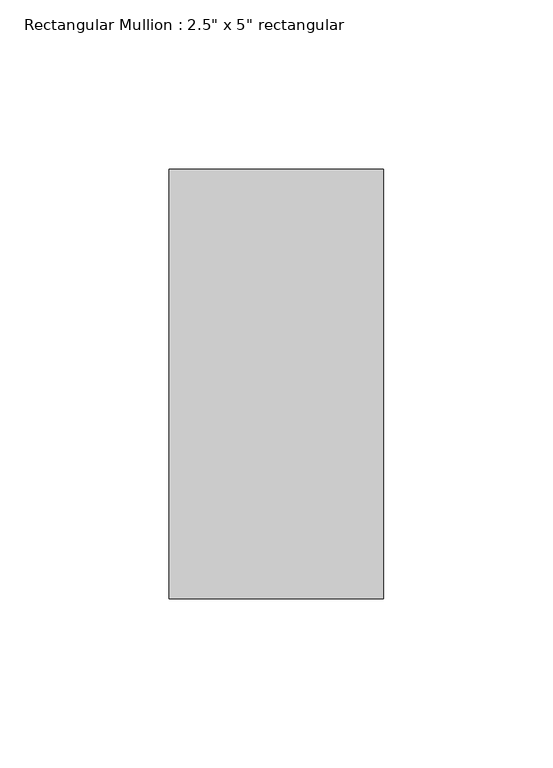
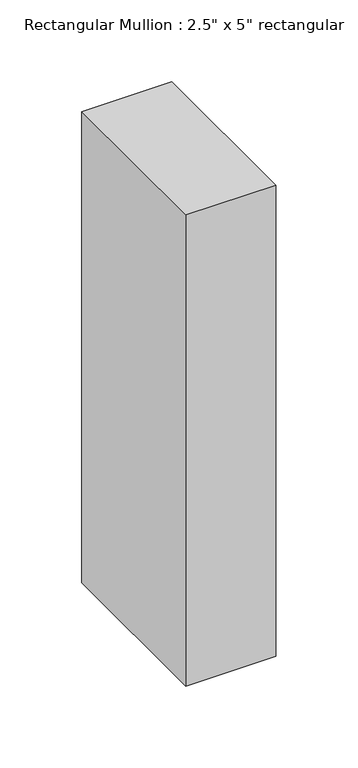
"""IFC4 building model written with IfcOpenShell, lengths in millimetres: member geometry."""

import ifcopenshell
import ifcopenshell.guid

model = None  # the IFC model being written
_history = None  # IfcOwnerHistory: only IFC2X3 demands one
_inside = {}  # id of a spatial element -> (the spatial element, [elements in it])
_under = {}  # id of a project, library or spatial element -> (it, [spatial elements below it])
_declared = {}  # id of a project -> (the project, [libraries it declares])
_typed = {}  # id of a type object -> (the type object, [elements of that type])
_made_of = {}  # id of a material, layer set ... -> (it, [elements and type objects made of it])


def new_model(schema):
    """Start an empty IFC model of exactly this schema.

    Asked for "IFC4X3", IfcOpenShell would pick the latest addendum, in which some entities
    have other attributes; the version numbers below select the first issue.
    IFC2X3 requires an IfcOwnerHistory on every rooted entity: one is made here for all.
    """
    global model, _history
    if schema == "IFC4X3":
        model = ifcopenshell.file(schema_version=(4, 3, 0, 0))
    else:
        model = ifcopenshell.file(schema=schema)
    _inside.clear()
    _under.clear()
    _declared.clear()
    _typed.clear()
    _made_of.clear()
    _history = None
    if model.schema == "IFC2X3":
        org = make("IfcOrganization", Name="unknown")
        user = make(
            "IfcPersonAndOrganization",
            ThePerson=make("IfcPerson", FamilyName="unknown"),
            TheOrganization=org,
        )
        app = make(
            "IfcApplication",
            ApplicationDeveloper=org,
            Version="unknown",
            ApplicationFullName="unknown",
            ApplicationIdentifier="unknown",
        )
        _history = make(
            "IfcOwnerHistory",
            OwningUser=user,
            OwningApplication=app,
            ChangeAction="ADDED",
            CreationDate=0,
        )
    return model


def make(cls, **values):
    """One entity of the class cls with the attributes given. An attribute that is None is left unset."""
    return model.create_entity(
        cls, **{name: value for name, value in values.items() if value is not None}
    )


def rooted(cls, **values):
    """An entity with a GlobalId (a new one), such as an element, a storey or a relation."""
    return make(cls, GlobalId=ifcopenshell.guid.new(), OwnerHistory=_history, **values)


def si_unit(unit_type, name, prefix=None):
    """IfcSIUnit, for example si_unit("LENGTHUNIT", "METRE", prefix="MILLI")."""
    return make("IfcSIUnit", UnitType=unit_type, Prefix=prefix, Name=name)


def assignment(units):
    """IfcUnitAssignment: the units of a project."""
    return None if units is None else make("IfcUnitAssignment", Units=units)


def point(xyz):
    """IfcCartesianPoint."""
    return None if xyz is None else make("IfcCartesianPoint", Coordinates=xyz)


def direction(xyz):
    """IfcDirection."""
    return None if xyz is None else make("IfcDirection", DirectionRatios=xyz)


def frame(location, z_axis=None, x_axis=None):
    """IfcAxis2Placement3D, a coordinate frame: its origin and axes. An axis left out is left unset."""
    return make(
        "IfcAxis2Placement3D",
        Location=point(location),
        Axis=direction(z_axis),
        RefDirection=direction(x_axis),
    )


def origin():
    """The frame at (0, 0, 0) with its axes left unset."""
    return frame((0.0, 0.0, 0.0))


def place(relative_to, where):
    """IfcLocalPlacement: puts the frame where relative to a parent placement (None: the world)."""
    return make(
        "IfcLocalPlacement", PlacementRelTo=relative_to, RelativePlacement=where
    )


def context(
    kind, dimensions, precision=None, world=None, true_north=None, identifier=None
):
    """IfcGeometricRepresentationContext, for example the 3D "Model" context."""
    return make(
        "IfcGeometricRepresentationContext",
        ContextIdentifier=identifier,
        ContextType=kind,
        CoordinateSpaceDimension=dimensions,
        Precision=precision,
        WorldCoordinateSystem=world,
        TrueNorth=true_north,
    )


def project(units=None, contexts=None):
    """IfcProject with its units and contexts."""
    return rooted(
        "IfcProject",
        Name="project",
        RepresentationContexts=contexts,
        UnitsInContext=assignment(units),
    )


def spatial(cls, under=None, at=None, **own):
    """A site, building, storey or space (cls), placed at a placement, below another one or the project."""
    s = rooted(cls, ObjectPlacement=at, **own)
    if under is not None:
        _under.setdefault(under.id(), (under, []))[1].append(s)
    return s


def polyline(points):
    """IfcPolyline through the points."""
    return make("IfcPolyline", Points=[point(p) for p in points])


def outline(outer, holes=None, kind="AREA"):
    """IfcArbitraryClosedProfileDef: a profile drawn as a closed curve; with holes, ...WithVoids."""
    if holes is None:
        return make("IfcArbitraryClosedProfileDef", ProfileType=kind, OuterCurve=outer)
    return make(
        "IfcArbitraryProfileDefWithVoids",
        ProfileType=kind,
        OuterCurve=outer,
        InnerCurves=holes,
    )


def extrude(swept, where, along, depth):
    """IfcExtrudedAreaSolid: the profile swept, set in the frame where, extruded along a direction by depth."""
    return make(
        "IfcExtrudedAreaSolid",
        SweptArea=swept,
        Position=where,
        ExtrudedDirection=direction(along),
        Depth=depth,
    )


def shape(context_of_items, identifier, shape_type, items):
    """IfcShapeRepresentation: the items that make up one representation, for example the "Body"."""
    return make(
        "IfcShapeRepresentation",
        ContextOfItems=context_of_items,
        RepresentationIdentifier=identifier,
        RepresentationType=shape_type,
        Items=items,
    )


def source(mapping_origin, context_of_items, identifier, shape_type, items):
    """IfcRepresentationMap: a shape defined once, which mapped items show again and again."""
    return make(
        "IfcRepresentationMap",
        MappingOrigin=mapping_origin,
        MappedRepresentation=shape(context_of_items, identifier, shape_type, items),
    )


def transform(
    local_origin,
    x_axis=None,
    y_axis=None,
    z_axis=None,
    scale=None,
    scale2=None,
    scale3=None,
    uniform=True,
):
    """IfcCartesianTransformationOperator3D, or its non-uniform kind. x_axis, y_axis, z_axis: its Axis1, 2, 3."""
    if uniform:
        return make(
            "IfcCartesianTransformationOperator3D",
            Axis1=direction(x_axis),
            Axis2=direction(y_axis),
            LocalOrigin=point(local_origin),
            Scale=scale,
            Axis3=direction(z_axis),
        )
    return make(
        "IfcCartesianTransformationOperator3DnonUniform",
        Axis1=direction(x_axis),
        Axis2=direction(y_axis),
        LocalOrigin=point(local_origin),
        Scale=scale,
        Axis3=direction(z_axis),
        Scale2=scale2,
        Scale3=scale3,
    )


def mapped(mapping_source, mapping_target):
    """IfcMappedItem: shows the shape of a source again, moved by a transform."""
    return make(
        "IfcMappedItem", MappingSource=mapping_source, MappingTarget=mapping_target
    )


def made_of(thing, what):
    """Note that an element or type object is made of a material, layer set ...; save() writes the relation."""
    if what is not None:
        _made_of.setdefault(what.id(), (what, []))[1].append(thing)
    return thing


def element(
    cls,
    number,
    at=None,
    inside=None,
    cuts=None,
    type_object=None,
    material=None,
    context=None,
    identifier="Body",
    shape_type=None,
    held_by="IfcProductDefinitionShape",
    body=None,
    shapes=None,
    **own,
):
    """One element of the class cls, such as IfcWall. Its Tag is "e" and its number.

    at: its placement. inside: the storey or other place that contains it. cuts: it is an
    opening in that element (IfcRelVoidsElement). A single representation is given by context,
    identifier, shape_type and body (its items); several are given by shapes. held_by: the class
    of the entity that holds the representations. save() writes the other relations.
    """
    e = rooted(cls, Tag="e%d" % number, ObjectPlacement=at, **own)
    if body is not None:
        shapes = [shape(context, identifier, shape_type, body)]
    if shapes is not None:
        e.Representation = make(held_by, Representations=shapes)
    if inside is not None:
        _inside.setdefault(inside.id(), (inside, []))[1].append(e)
    if cuts is not None:
        rooted(
            "IfcRelVoidsElement", RelatingBuildingElement=cuts, RelatedOpeningElement=e
        )
    if type_object is not None:
        _typed.setdefault(type_object.id(), (type_object, []))[1].append(e)
    return made_of(e, material)


def aggregate(whole, parts):
    """IfcRelAggregates: a whole, such as a stair, and the parts it consists of."""
    return rooted("IfcRelAggregates", RelatingObject=whole, RelatedObjects=parts)


def save(model, path):
    """Write the relations noted so far, then the file.

    IfcRelAggregates (storeys below a building ...), IfcRelContainedInSpatialStructure (elements
    in a storey), IfcRelDefinesByType, IfcRelAssociatesMaterial and IfcRelDeclares: one each for
    every whole, place, type object, material and project.
    """
    for whole, parts in _under.values():
        aggregate(whole, parts)
    for where, things in _inside.values():
        rooted(
            "IfcRelContainedInSpatialStructure",
            RelatedElements=things,
            RelatingStructure=where,
        )
    for kind, things in _typed.values():
        rooted("IfcRelDefinesByType", RelatedObjects=things, RelatingType=kind)
    for what, things in _made_of.values():
        rooted("IfcRelAssociatesMaterial", RelatedObjects=things, RelatingMaterial=what)
    for by, libraries in _declared.values():
        rooted("IfcRelDeclares", RelatingContext=by, RelatedDefinitions=libraries)
    model.write(path)


def member_053a1080(model_context):
    return source(origin(), model_context, "Body", "SweptSolid", [
        extrude(outline(polyline([(31.75, 63.5), (31.75, -63.5), (-31.75, -63.5), (-31.75, 63.5), (31.75, 63.5)])), frame((0.0, 0.0, -351.3666667), z_axis=(0.0, 0.0, 1.0), x_axis=(1.0, 0.0, 0.0)), (0.0, 0.0, 1.0), 351.3666667),
    ])


if __name__ == "__main__":
    model = new_model("IFC4")
    model_context = context("Model", 3, world=origin())
    ifc_project = project(units=[si_unit("LENGTHUNIT", "METRE", prefix="MILLI")], contexts=[model_context])
    site = spatial("IfcSite", under=ifc_project)
    building = spatial("IfcBuilding", under=site)
    placement = place(None, origin())
    member_shape = member_053a1080(model_context)
    element("IfcMember", 1, ObjectType="Rectangular Mullion : 2.5\" x 5\" rectangular", at=placement, inside=building, context=model_context, shape_type="MappedRepresentation", body=[
        mapped(member_shape, transform((0.0, 0.0, 0.0), x_axis=(1.0, 0.0, 0.0), y_axis=(0.0, 1.0, 0.0), z_axis=(0.0, 0.0, 1.0))),
    ])
    save(model, "model.ifc")
